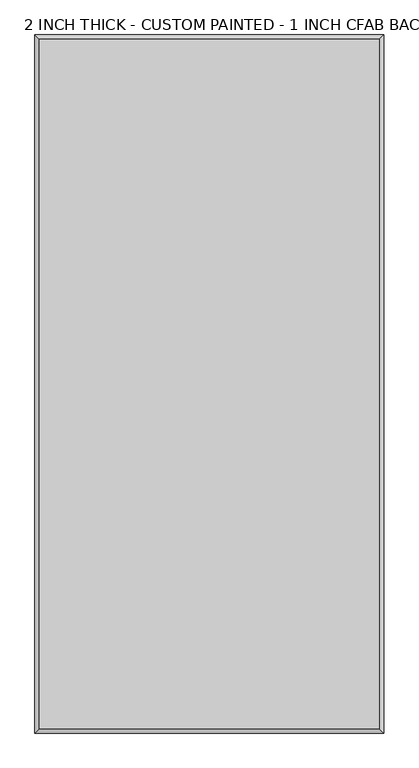
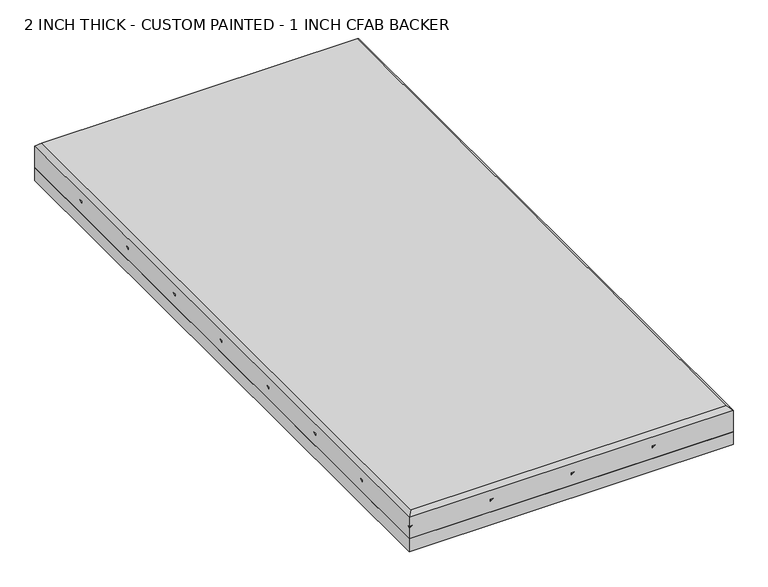
"""IFC4 building model written with IfcOpenShell, lengths in millimetres: proxy geometry, 2 INCH THICK - CUSTOM PAINTED - 1 INCH CFAB BACKER."""

from ifc_helpers import new_model, si_unit, frame, origin, place, context, project, spatial, polyline, outline, extrude, faceted_brep, source, transform, mapped, element, save


def proxy_2_inch_thick_custom_painted_1_inch_cfab_backer_0e1b55b2(model_context):
    return source(origin(), model_context, "Body", "SolidModel", [
        extrude(outline(polyline([(-304.8, 609.6), (304.8, 609.6), (304.8, -609.6), (-304.8, -609.6), (-304.8, 609.6)])), frame((0.0, 0.0, -25.4), z_axis=(0.0, 0.0, 1.0), x_axis=(1.0, 0.0, 0.0)), (0.0, 0.0, 1.0), 25.4),
        faceted_brep([(296.799, 601.599, 50.8), (-296.799, 601.599, 50.8), (-296.799, -601.599, 50.8), (296.799, -601.599, 50.8), (-304.8, 609.6, 0.0), (304.8, 609.6, 0.0), (304.8, -609.6, 0.0), (-304.8, -609.6, 0.0), (-304.8, -609.6, 21.3995), (-304.8, -603.9424386, 25.4), (-304.8, -609.6, 25.4), (-304.8, -609.6, 42.799), (-304.8, 609.6, 42.799), (-304.8, 457.1995174, 25.4), (-304.8, 457.1995174, 21.3995), (-304.8, 462.8580948, 25.4), (-304.8, 304.8000254, 25.4), (-304.8, 304.8000254, 21.3995), (-304.8, 310.4575868, 25.4), (-304.8, 152.4000254, 25.4), (-304.8, 152.4000254, 21.3995), (-304.8, 158.0575836, 25.4), (-304.8, 5.08e-05, 25.4), (-304.8, 5.08e-05, 21.3995), (-304.8, 5.6575614, 25.4), (-304.8, -152.3999746, 25.4), (-304.8, -152.3999746, 21.3995), (-304.8, -146.7424132, 25.4), (-304.8, -304.7999746, 25.4), (-304.8, -304.7999746, 21.3995), (-304.8, -299.1424132, 25.4), (-304.8, -457.1999746, 25.4), (-304.8, -457.1999746, 21.3995), (-304.8, -451.5424132, 25.4), (304.8, -609.6, 42.799), (-299.1424386, -609.6, 25.4), (-152.4010414, -609.6, 21.3995), (-152.4010414, -609.6, 25.4), (-146.742464, -609.6, 25.4), (0.0, -609.6, 21.3995), (0.0, -609.6, 25.4), (5.6575611, -609.6, 25.4), (152.4004826, -609.6, 21.3995), (152.4004826, -609.6, 25.4), (158.0580345, -609.6, 25.4), (304.8, 609.6, 21.3995), (304.8, 603.9424386, 25.4), (304.8, 609.6, 25.4), (304.8, 609.6, 42.799), (304.8, 457.2000254, 25.4), (304.8, 457.2000254, 21.3995), (304.8, 451.542464, 25.4), (304.8, 304.8000254, 25.4), (304.8, 304.8000254, 21.3995), (304.8, 299.142464, 25.4), (304.8, 152.4000254, 25.4), (304.8, 152.4000254, 21.3995), (304.8, 146.742464, 25.4), (304.8, 0.0, 25.4), (304.8, 0.0, 21.3995), (304.8, -5.6575614, 25.4), (304.8, -152.3999746, 25.4), (304.8, -152.3999746, 21.3995), (304.8, -158.057536, 25.4), (304.8, -304.7999746, 25.4), (304.8, -304.7999746, 21.3995), (304.8, -310.4575362, 25.4), (304.8, -457.1999746, 25.4), (304.8, -457.1999746, 21.3995), (304.8, -462.8575454, 25.4), (299.1424386, 609.6, 25.4), (-152.4005334, 609.6, 21.3995), (-152.4005334, 609.6, 25.4), (-158.0580948, 609.6, 25.4), (-2.54e-05, 609.6, 21.3995), (-2.54e-05, 609.6, 25.4), (-5.6575868, 609.6, 25.4), (152.4004826, 609.6, 21.3995), (152.4004826, 609.6, 25.4), (146.7429181, 609.6, 25.4), (-149.5717527, 606.7712193, 25.4), (-301.9717273, 454.3712447, 25.4), (2.8287553, 606.7712193, 25.4), (-301.9712193, 301.9712447, 25.4), (155.2292617, 606.7712178, 25.4), (-301.9712209, 149.5712432, 25.4), (-301.9711939, -2.8287553, 25.4), (301.9712193, 460.0288061, 25.4), (-301.9712193, -155.2287553, 25.4), (301.9712193, 307.6288061, 25.4), (-301.9712193, -307.6287553, 25.4), (301.9712193, 155.2288061, 25.4), (-301.9712193, -460.0287553, 25.4), (301.9712193, 2.8287807, 25.4), (301.9712193, -149.5711939, 25.4), (-155.2293141, -606.7717273, 25.4), (301.9712192, -301.971194, 25.4), (-2.8287808, -606.7712194, 25.4), (301.9712146, -454.3711986, 25.4), (149.5716972, -606.771224, 25.4)], [[[0, 1, 2, 3]], [[4, 5, 6, 7]], [[4, 7, 8, 9, 10, 11, 12], [13, 14, 15], [16, 17, 18], [19, 20, 21], [22, 23, 24], [25, 26, 27], [28, 29, 30], [31, 32, 33]], [[7, 6, 34, 11, 10, 35, 8], [36, 37, 38], [39, 40, 41], [42, 43, 44]], [[6, 5, 45, 46, 47, 48, 34], [49, 50, 51], [52, 53, 54], [55, 56, 57], [58, 59, 60], [61, 62, 63], [64, 65, 66], [67, 68, 69]], [[5, 4, 12, 48, 47, 70, 45], [71, 72, 73], [74, 75, 76], [77, 78, 79]], [[12, 1, 0, 48]], [[1, 12, 11, 2]], [[2, 11, 34, 3]], [[48, 0, 3, 34]], [[14, 71, 73, 15]], [[80, 71, 14, 81]], [[17, 74, 76, 18]], [[82, 74, 17, 83]], [[20, 77, 79, 21]], [[84, 77, 20, 85]], [[23, 45, 70, 24]], [[23, 86, 46, 45]], [[50, 87, 27, 26]], [[26, 88, 51, 50]], [[53, 89, 30, 29]], [[29, 90, 54, 53]], [[56, 91, 33, 32]], [[32, 92, 57, 56]], [[59, 93, 9, 8]], [[59, 8, 35, 60]], [[62, 94, 95, 36]], [[62, 36, 38, 63]], [[65, 96, 97, 39]], [[65, 39, 41, 66]], [[68, 98, 99, 42]], [[68, 42, 44, 69]], [[71, 80, 72]], [[81, 14, 13]], [[80, 81, 13, 15, 73, 72]], [[74, 82, 75]], [[83, 17, 16]], [[82, 83, 16, 18, 76, 75]], [[77, 84, 78]], [[85, 20, 19]], [[84, 85, 19, 21, 79, 78]], [[86, 23, 22]], [[86, 22, 24, 70, 47, 46]], [[87, 50, 49]], [[88, 26, 25]], [[87, 49, 51, 88, 25, 27]], [[89, 53, 52]], [[90, 29, 28]], [[89, 52, 54, 90, 28, 30]], [[91, 56, 55]], [[92, 32, 31]], [[91, 55, 57, 92, 31, 33]], [[93, 59, 58]], [[93, 58, 60, 35, 10, 9]], [[94, 62, 61]], [[36, 95, 37]], [[95, 94, 61, 63, 38, 37]], [[96, 65, 64]], [[39, 97, 40]], [[97, 96, 64, 66, 41, 40]], [[98, 68, 67]], [[42, 99, 43]], [[99, 98, 67, 69, 44, 43]]]),
    ])


if __name__ == "__main__":
    model = new_model("IFC4")
    model_context = context("Model", 3, world=origin())
    ifc_project = project(units=[si_unit("LENGTHUNIT", "METRE", prefix="MILLI")], contexts=[model_context])
    site = spatial("IfcSite", under=ifc_project)
    building = spatial("IfcBuilding", under=site)
    placement = place(None, origin())
    proxy_2_inch_thick_custom_painted_1_inch_cfab_backer_shape = proxy_2_inch_thick_custom_painted_1_inch_cfab_backer_0e1b55b2(model_context)
    element("IfcBuildingElementProxy", 1, Name="2 INCH THICK - CUSTOM PAINTED - 1 INCH CFAB BACKER", ObjectType="2 INCH THICK - CUSTOM PAINTED - 1 INCH CFAB BACKER", at=placement, inside=building, context=model_context, shape_type="MappedRepresentation", body=[
        mapped(proxy_2_inch_thick_custom_painted_1_inch_cfab_backer_shape, transform((0.0, 0.0, 0.0), x_axis=(1.0, 0.0, 0.0), y_axis=(0.0, 1.0, 0.0), z_axis=(0.0, 0.0, 1.0))),
    ])
    save(model, "model.ifc")
